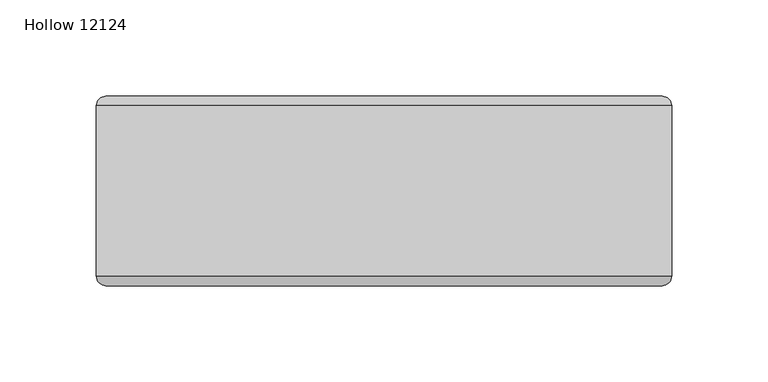
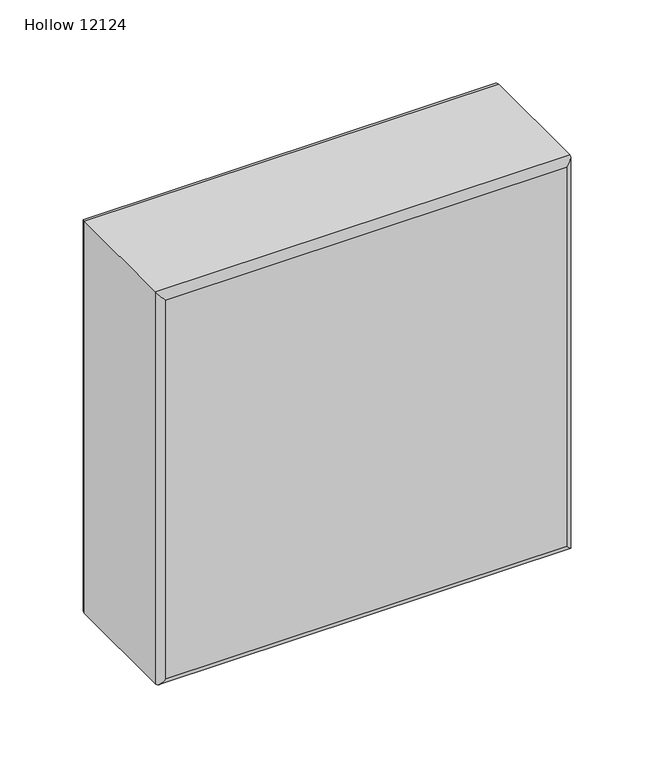
"""IFC4 building model written with IfcOpenShell, lengths in millimetres: plate geometry, Hollow 12124."""

from ifc_helpers import new_model, si_unit, frame, origin, place, context, project, spatial, ellipse_curve, source, transform, mapped, element, save
from ifc_brep_helpers import plane_surface, cylinder_surface, advanced_brep


def hollow_12124_765595dc(model_context):
    return source(origin(), model_context, "Body", "AdvancedBrep", [
        advanced_brep(
        [(-149.2250002, -44.2, 298.5), (149.2749998, -44.2, 298.5), (149.2749998, 44.2, 298.5), (-149.2250002, 44.2, 298.5), (149.2749998, -44.2, 0.0), (-149.2250002, -44.2, 0.0), (-149.2250002, 44.2, 0.0), (149.2749998, 44.2, 0.0), (-144.2250002, -49.2, 5.0), (144.2749998, -49.2, 5.0), (144.2749998, -49.2, 293.5), (-144.2250002, -49.2, 293.5), (144.2749998, 49.2, 5.0), (-144.2250002, 49.2, 5.0), (-144.2250002, 49.2, 293.5), (144.2749998, 49.2, 293.5)],
        [
            (0, 1),
            (1, 2),
            (2, 3),
            (3, 0),
            (4, 5),
            (5, 6),
            (6, 7),
            (7, 4),
            (8, 9),
            (9, 10),
            (10, 11),
            (11, 8),
            (1, 4),
            (7, 2),
            (12, 13),
            (13, 14),
            (14, 15),
            (15, 12),
            (5, 0),
            (3, 6),
            (4, 9, ellipse_curve(frame((144.2749998, -44.2, 5.0), z_axis=(-0.7071067811865475, 0.0, -0.7071067811865475), x_axis=(0.7071067811865476, 0.0, -0.7071067811865474)), 7.0710678, 5.0)),
            (8, 5, ellipse_curve(frame((-144.2250002, -44.2, 5.0), z_axis=(0.7071067811865475, 0.0, -0.7071067811865475), x_axis=(0.7071067811865476, 0.0, 0.7071067811865474)), 7.0710678, 5.0)),
            (1, 10, ellipse_curve(frame((144.2749998, -44.2, 293.5), z_axis=(0.7071067811865475, 0.0, -0.7071067811865475), x_axis=(0.7071067811865474, 0.0, 0.7071067811865476)), 7.0710678, 5.0)),
            (0, 11, ellipse_curve(frame((-144.2250002, -44.2, 293.5), z_axis=(0.7071067811865475, 0.0, 0.7071067811865475), x_axis=(-0.7071067811865476, 0.0, 0.7071067811865474)), 7.0710678, 5.0)),
            (12, 7, ellipse_curve(frame((144.2749998, 44.2, 5.0), z_axis=(-0.7071067811865475, 0.0, -0.7071067811865475), x_axis=(0.7071067811865476, 0.0, -0.7071067811865474)), 7.0710678, 5.0)),
            (6, 13, ellipse_curve(frame((-144.2250002, 44.2, 5.0), z_axis=(0.7071067811865475, 0.0, -0.7071067811865475), x_axis=(0.7071067811865476, 0.0, 0.7071067811865474)), 7.0710678, 5.0)),
            (15, 2, ellipse_curve(frame((144.2749998, 44.2, 293.5), z_axis=(0.7071067811865475, 0.0, -0.7071067811865475), x_axis=(0.7071067811865474, 0.0, 0.7071067811865476)), 7.0710678, 5.0)),
            (14, 3, ellipse_curve(frame((-144.2250002, 44.2, 293.5), z_axis=(0.7071067811865475, 0.0, 0.7071067811865475), x_axis=(-0.7071067811865476, 0.0, 0.7071067811865474)), 7.0710678, 5.0)),
        ],
        [
            plane_surface(frame((-149.2250002, -49.2, 298.5), z_axis=(0.0, 0.0, 1.0), x_axis=(1.0, 0.0, 0.0))),
            plane_surface(frame((-149.2250002, -49.2, 0.0), z_axis=(0.0, 0.0, -1.0), x_axis=(-1.0, 0.0, 0.0))),
            plane_surface(frame((-149.2250002, -49.2, 298.5), z_axis=(0.0, -1.0, 0.0), x_axis=(0.0, 0.0, -1.0))),
            plane_surface(frame((149.2749998, -49.2, 298.5), z_axis=(1.0, 0.0, 0.0), x_axis=(0.0, 0.0, -1.0))),
            plane_surface(frame((149.2749998, 49.2, 298.5), z_axis=(0.0, 1.0, 0.0), x_axis=(0.0, 0.0, -1.0))),
            plane_surface(frame((-149.2250002, 49.2, 298.5), z_axis=(-1.0, 0.0, 0.0), x_axis=(0.0, 0.0, -1.0))),
            cylinder_surface(frame((-149.2250002, -44.2, 5.0), z_axis=(1.0, 0.0, 0.0), x_axis=(0.0, 0.0, -1.0)), 5.0),
            cylinder_surface(frame((144.2749998, -44.2, 0.0), z_axis=(0.0, 0.0, 1.0), x_axis=(1.0, 0.0, 0.0)), 5.0),
            cylinder_surface(frame((149.2749998, -44.2, 293.5), z_axis=(-1.0, 0.0, 0.0), x_axis=(0.0, 0.0, 1.0)), 5.0),
            cylinder_surface(frame((-144.2250002, -44.2, 298.5), z_axis=(0.0, 0.0, -1.0), x_axis=(-1.0, 0.0, 0.0)), 5.0),
            cylinder_surface(frame((-149.2250002, 44.2, 5.0), z_axis=(1.0, 0.0, 0.0), x_axis=(0.0, 0.0, -1.0)), 5.0),
            cylinder_surface(frame((144.2749998, 44.2, 0.0), z_axis=(0.0, 0.0, 1.0), x_axis=(1.0, 0.0, 0.0)), 5.0),
            cylinder_surface(frame((149.2749998, 44.2, 293.5), z_axis=(-1.0, 0.0, 0.0), x_axis=(0.0, 0.0, 1.0)), 5.0),
            cylinder_surface(frame((-144.2250002, 44.2, 298.5), z_axis=(0.0, 0.0, -1.0), x_axis=(-1.0, 0.0, 0.0)), 5.0),
        ],
        [
            (0, [[1, 2, 3, 4]]),
            (1, [[5, 6, 7, 8]]),
            (2, [[9, 10, 11, 12]]),
            (3, [[13, -8, 14, -2]]),
            (4, [[15, 16, 17, 18]]),
            (5, [[19, -4, 20, -6]]),
            (6, [[21, -9, 22, -5]]),
            (7, [[-21, -13, 23, -10]]),
            (8, [[-23, -1, 24, -11]]),
            (9, [[-22, -12, -24, -19]]),
            (10, [[25, -7, 26, -15]]),
            (11, [[-25, -18, 27, -14]]),
            (12, [[-27, -17, 28, -3]]),
            (13, [[-26, -20, -28, -16]]),
        ],
    ),
    ])


if __name__ == "__main__":
    model = new_model("IFC4")
    model_context = context("Model", 3, world=origin())
    ifc_project = project(units=[si_unit("LENGTHUNIT", "METRE", prefix="MILLI")], contexts=[model_context])
    site = spatial("IfcSite", under=ifc_project)
    building = spatial("IfcBuilding", under=site)
    placement = place(None, origin())
    hollow_12124_shape = hollow_12124_765595dc(model_context)
    element("IfcPlate", 1, ObjectType="Hollow 12124", at=placement, inside=building, context=model_context, shape_type="MappedRepresentation", body=[
        mapped(hollow_12124_shape, transform((0.0, 0.0, 0.0), x_axis=(1.0, 0.0, 0.0), y_axis=(0.0, 1.0, 0.0), z_axis=(0.0, 0.0, 1.0))),
    ])
    save(model, "model.ifc")
